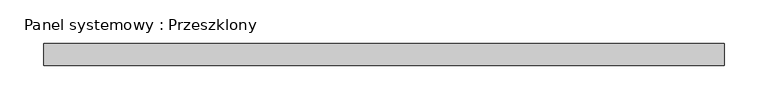
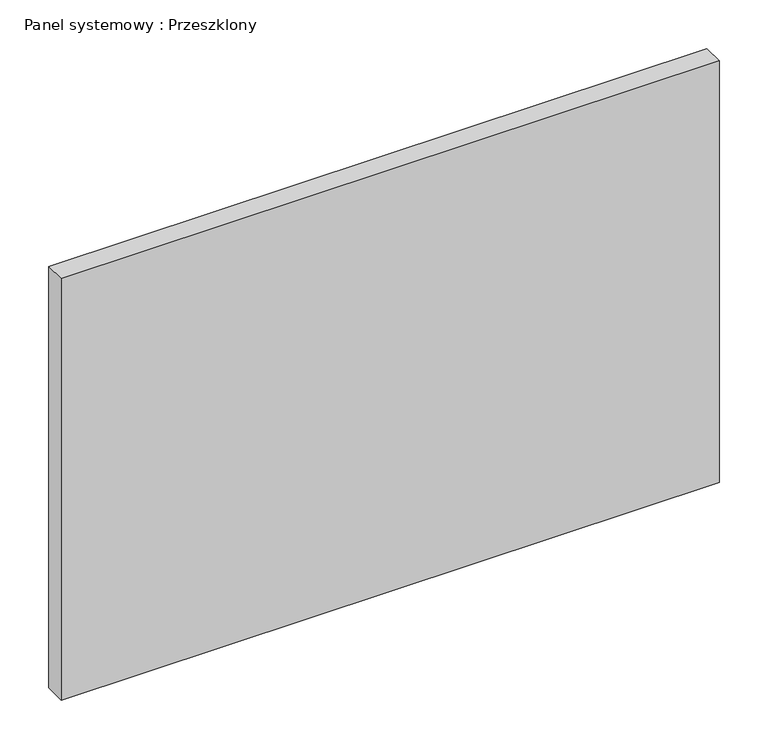
"""IFC4 building model written with IfcOpenShell, lengths in millimetres: plate geometry, Panel systemowy : Przeszklony."""

from ifc_helpers import new_model, si_unit, origin, origin_with_axes, place, context, project, spatial, polyline, outline, extrude, source, transform, mapped, element, save


def panel_systemowy_przeszklony_cbf3e923(model_context):
    return source(origin(), model_context, "Body", "SweptSolid", [
        extrude(outline(polyline([(389.0, 24.5), (-389.0, 24.5), (-389.0, 49.5), (389.0, 49.5), (389.0, 24.5)])), origin_with_axes(), (0.0, 0.0, 1.0), 526.9756315),
    ])


if __name__ == "__main__":
    model = new_model("IFC4")
    model_context = context("Model", 3, world=origin())
    ifc_project = project(units=[si_unit("LENGTHUNIT", "METRE", prefix="MILLI")], contexts=[model_context])
    site = spatial("IfcSite", under=ifc_project)
    building = spatial("IfcBuilding", under=site)
    placement = place(None, origin())
    panel_systemowy_przeszklony_shape = panel_systemowy_przeszklony_cbf3e923(model_context)
    element("IfcPlate", 1, ObjectType="Panel systemowy : Przeszklony", at=placement, inside=building, context=model_context, shape_type="MappedRepresentation", body=[
        mapped(panel_systemowy_przeszklony_shape, transform((0.0, 0.0, 0.0), x_axis=(1.0, 0.0, 0.0), y_axis=(0.0, 1.0, 0.0), z_axis=(0.0, 0.0, 1.0))),
    ])
    save(model, "model.ifc")
